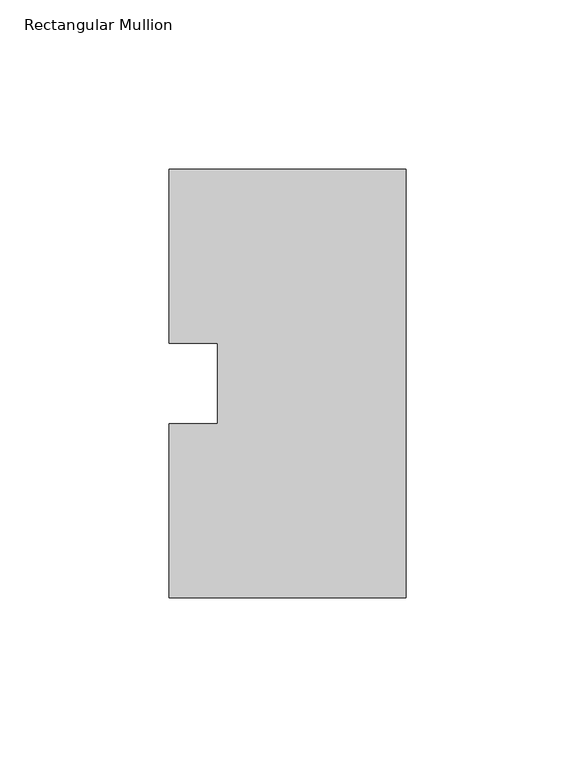
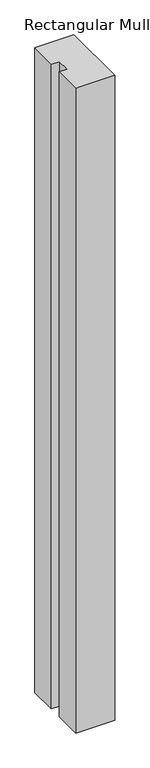
"""IFC4 building model written with IfcOpenShell, lengths in millimetres: member geometry, Rectangular Mullion."""

import ifcopenshell
import ifcopenshell.guid

model = None  # the IFC model being written
_history = None  # IfcOwnerHistory: only IFC2X3 demands one
_inside = {}  # id of a spatial element -> (the spatial element, [elements in it])
_under = {}  # id of a project, library or spatial element -> (it, [spatial elements below it])
_declared = {}  # id of a project -> (the project, [libraries it declares])
_typed = {}  # id of a type object -> (the type object, [elements of that type])
_made_of = {}  # id of a material, layer set ... -> (it, [elements and type objects made of it])


def new_model(schema):
    """Start an empty IFC model of exactly this schema.

    Asked for "IFC4X3", IfcOpenShell would pick the latest addendum, in which some entities
    have other attributes; the version numbers below select the first issue.
    IFC2X3 requires an IfcOwnerHistory on every rooted entity: one is made here for all.
    """
    global model, _history
    if schema == "IFC4X3":
        model = ifcopenshell.file(schema_version=(4, 3, 0, 0))
    else:
        model = ifcopenshell.file(schema=schema)
    _inside.clear()
    _under.clear()
    _declared.clear()
    _typed.clear()
    _made_of.clear()
    _history = None
    if model.schema == "IFC2X3":
        org = make("IfcOrganization", Name="unknown")
        user = make(
            "IfcPersonAndOrganization",
            ThePerson=make("IfcPerson", FamilyName="unknown"),
            TheOrganization=org,
        )
        app = make(
            "IfcApplication",
            ApplicationDeveloper=org,
            Version="unknown",
            ApplicationFullName="unknown",
            ApplicationIdentifier="unknown",
        )
        _history = make(
            "IfcOwnerHistory",
            OwningUser=user,
            OwningApplication=app,
            ChangeAction="ADDED",
            CreationDate=0,
        )
    return model


def make(cls, **values):
    """One entity of the class cls with the attributes given. An attribute that is None is left unset."""
    return model.create_entity(
        cls, **{name: value for name, value in values.items() if value is not None}
    )


def rooted(cls, **values):
    """An entity with a GlobalId (a new one), such as an element, a storey or a relation."""
    return make(cls, GlobalId=ifcopenshell.guid.new(), OwnerHistory=_history, **values)


def si_unit(unit_type, name, prefix=None):
    """IfcSIUnit, for example si_unit("LENGTHUNIT", "METRE", prefix="MILLI")."""
    return make("IfcSIUnit", UnitType=unit_type, Prefix=prefix, Name=name)


def assignment(units):
    """IfcUnitAssignment: the units of a project."""
    return None if units is None else make("IfcUnitAssignment", Units=units)


def point(xyz):
    """IfcCartesianPoint."""
    return None if xyz is None else make("IfcCartesianPoint", Coordinates=xyz)


def direction(xyz):
    """IfcDirection."""
    return None if xyz is None else make("IfcDirection", DirectionRatios=xyz)


def frame(location, z_axis=None, x_axis=None):
    """IfcAxis2Placement3D, a coordinate frame: its origin and axes. An axis left out is left unset."""
    return make(
        "IfcAxis2Placement3D",
        Location=point(location),
        Axis=direction(z_axis),
        RefDirection=direction(x_axis),
    )


def origin():
    """The frame at (0, 0, 0) with its axes left unset."""
    return frame((0.0, 0.0, 0.0))


def place(relative_to, where):
    """IfcLocalPlacement: puts the frame where relative to a parent placement (None: the world)."""
    return make(
        "IfcLocalPlacement", PlacementRelTo=relative_to, RelativePlacement=where
    )


def context(
    kind, dimensions, precision=None, world=None, true_north=None, identifier=None
):
    """IfcGeometricRepresentationContext, for example the 3D "Model" context."""
    return make(
        "IfcGeometricRepresentationContext",
        ContextIdentifier=identifier,
        ContextType=kind,
        CoordinateSpaceDimension=dimensions,
        Precision=precision,
        WorldCoordinateSystem=world,
        TrueNorth=true_north,
    )


def project(units=None, contexts=None):
    """IfcProject with its units and contexts."""
    return rooted(
        "IfcProject",
        Name="project",
        RepresentationContexts=contexts,
        UnitsInContext=assignment(units),
    )


def spatial(cls, under=None, at=None, **own):
    """A site, building, storey or space (cls), placed at a placement, below another one or the project."""
    s = rooted(cls, ObjectPlacement=at, **own)
    if under is not None:
        _under.setdefault(under.id(), (under, []))[1].append(s)
    return s


def polyline(points):
    """IfcPolyline through the points."""
    return make("IfcPolyline", Points=[point(p) for p in points])


def outline(outer, holes=None, kind="AREA"):
    """IfcArbitraryClosedProfileDef: a profile drawn as a closed curve; with holes, ...WithVoids."""
    if holes is None:
        return make("IfcArbitraryClosedProfileDef", ProfileType=kind, OuterCurve=outer)
    return make(
        "IfcArbitraryProfileDefWithVoids",
        ProfileType=kind,
        OuterCurve=outer,
        InnerCurves=holes,
    )


def extrude(swept, where, along, depth):
    """IfcExtrudedAreaSolid: the profile swept, set in the frame where, extruded along a direction by depth."""
    return make(
        "IfcExtrudedAreaSolid",
        SweptArea=swept,
        Position=where,
        ExtrudedDirection=direction(along),
        Depth=depth,
    )


def shape(context_of_items, identifier, shape_type, items):
    """IfcShapeRepresentation: the items that make up one representation, for example the "Body"."""
    return make(
        "IfcShapeRepresentation",
        ContextOfItems=context_of_items,
        RepresentationIdentifier=identifier,
        RepresentationType=shape_type,
        Items=items,
    )


def source(mapping_origin, context_of_items, identifier, shape_type, items):
    """IfcRepresentationMap: a shape defined once, which mapped items show again and again."""
    return make(
        "IfcRepresentationMap",
        MappingOrigin=mapping_origin,
        MappedRepresentation=shape(context_of_items, identifier, shape_type, items),
    )


def transform(
    local_origin,
    x_axis=None,
    y_axis=None,
    z_axis=None,
    scale=None,
    scale2=None,
    scale3=None,
    uniform=True,
):
    """IfcCartesianTransformationOperator3D, or its non-uniform kind. x_axis, y_axis, z_axis: its Axis1, 2, 3."""
    if uniform:
        return make(
            "IfcCartesianTransformationOperator3D",
            Axis1=direction(x_axis),
            Axis2=direction(y_axis),
            LocalOrigin=point(local_origin),
            Scale=scale,
            Axis3=direction(z_axis),
        )
    return make(
        "IfcCartesianTransformationOperator3DnonUniform",
        Axis1=direction(x_axis),
        Axis2=direction(y_axis),
        LocalOrigin=point(local_origin),
        Scale=scale,
        Axis3=direction(z_axis),
        Scale2=scale2,
        Scale3=scale3,
    )


def mapped(mapping_source, mapping_target):
    """IfcMappedItem: shows the shape of a source again, moved by a transform."""
    return make(
        "IfcMappedItem", MappingSource=mapping_source, MappingTarget=mapping_target
    )


def made_of(thing, what):
    """Note that an element or type object is made of a material, layer set ...; save() writes the relation."""
    if what is not None:
        _made_of.setdefault(what.id(), (what, []))[1].append(thing)
    return thing


def element(
    cls,
    number,
    at=None,
    inside=None,
    cuts=None,
    type_object=None,
    material=None,
    context=None,
    identifier="Body",
    shape_type=None,
    held_by="IfcProductDefinitionShape",
    body=None,
    shapes=None,
    **own,
):
    """One element of the class cls, such as IfcWall. Its Tag is "e" and its number.

    at: its placement. inside: the storey or other place that contains it. cuts: it is an
    opening in that element (IfcRelVoidsElement). A single representation is given by context,
    identifier, shape_type and body (its items); several are given by shapes. held_by: the class
    of the entity that holds the representations. save() writes the other relations.
    """
    e = rooted(cls, Tag="e%d" % number, ObjectPlacement=at, **own)
    if body is not None:
        shapes = [shape(context, identifier, shape_type, body)]
    if shapes is not None:
        e.Representation = make(held_by, Representations=shapes)
    if inside is not None:
        _inside.setdefault(inside.id(), (inside, []))[1].append(e)
    if cuts is not None:
        rooted(
            "IfcRelVoidsElement", RelatingBuildingElement=cuts, RelatedOpeningElement=e
        )
    if type_object is not None:
        _typed.setdefault(type_object.id(), (type_object, []))[1].append(e)
    return made_of(e, material)


def aggregate(whole, parts):
    """IfcRelAggregates: a whole, such as a stair, and the parts it consists of."""
    return rooted("IfcRelAggregates", RelatingObject=whole, RelatedObjects=parts)


def save(model, path):
    """Write the relations noted so far, then the file.

    IfcRelAggregates (storeys below a building ...), IfcRelContainedInSpatialStructure (elements
    in a storey), IfcRelDefinesByType, IfcRelAssociatesMaterial and IfcRelDeclares: one each for
    every whole, place, type object, material and project.
    """
    for whole, parts in _under.values():
        aggregate(whole, parts)
    for where, things in _inside.values():
        rooted(
            "IfcRelContainedInSpatialStructure",
            RelatedElements=things,
            RelatingStructure=where,
        )
    for kind, things in _typed.values():
        rooted("IfcRelDefinesByType", RelatedObjects=things, RelatingType=kind)
    for what, things in _made_of.values():
        rooted("IfcRelAssociatesMaterial", RelatedObjects=things, RelatingMaterial=what)
    for by, libraries in _declared.values():
        rooted("IfcRelDeclares", RelatingContext=by, RelatedDefinitions=libraries)
    model.write(path)


def rectangular_mullion_0cb52f27(model_context):
    return source(origin(), model_context, "Body", "SweptSolid", [
        extrude(outline(polyline([(0.0, 0.26035), (-69.85, 0.26035), (-69.85, 51.60645), (-55.5625, 51.60645), (-55.5625, 75.40625), (-69.85, 75.40625), (-69.85, 126.75235), (0.0, 126.75235), (0.0, 0.26035)])), frame((0.0, 0.0, -1219.2), z_axis=(0.0, 0.0, 1.0), x_axis=(1.0, 0.0, 0.0)), (0.0, 0.0, 1.0), 1219.2),
    ])


if __name__ == "__main__":
    model = new_model("IFC4")
    model_context = context("Model", 3, world=origin())
    ifc_project = project(units=[si_unit("LENGTHUNIT", "METRE", prefix="MILLI")], contexts=[model_context])
    site = spatial("IfcSite", under=ifc_project)
    building = spatial("IfcBuilding", under=site)
    placement = place(None, origin())
    rectangular_mullion_shape = rectangular_mullion_0cb52f27(model_context)
    element("IfcMember", 1, ObjectType="Rectangular Mullion", at=placement, inside=building, context=model_context, shape_type="MappedRepresentation", body=[
        mapped(rectangular_mullion_shape, transform((0.0, 0.0, 0.0), x_axis=(1.0, 0.0, 0.0), y_axis=(0.0, 1.0, 0.0), z_axis=(0.0, 0.0, 1.0))),
    ])
    save(model, "model.ifc")
